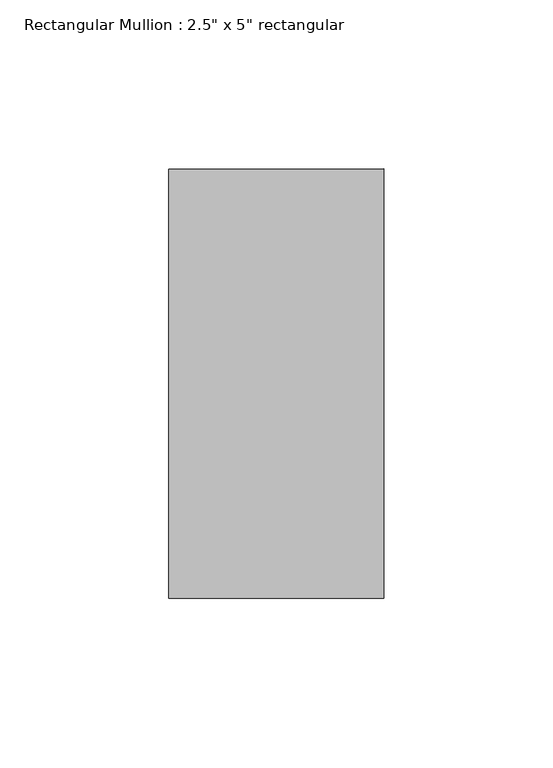
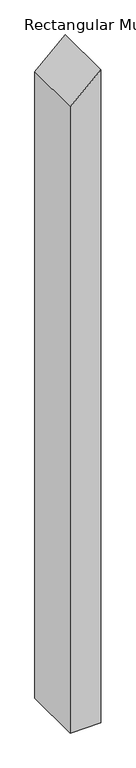
"""IFC4 building model written with IfcOpenShell, lengths in millimetres: member geometry."""

import ifcopenshell
import ifcopenshell.guid

model = None  # the IFC model being written
_history = None  # IfcOwnerHistory: only IFC2X3 demands one
_inside = {}  # id of a spatial element -> (the spatial element, [elements in it])
_under = {}  # id of a project, library or spatial element -> (it, [spatial elements below it])
_declared = {}  # id of a project -> (the project, [libraries it declares])
_typed = {}  # id of a type object -> (the type object, [elements of that type])
_made_of = {}  # id of a material, layer set ... -> (it, [elements and type objects made of it])


def new_model(schema):
    """Start an empty IFC model of exactly this schema.

    Asked for "IFC4X3", IfcOpenShell would pick the latest addendum, in which some entities
    have other attributes; the version numbers below select the first issue.
    IFC2X3 requires an IfcOwnerHistory on every rooted entity: one is made here for all.
    """
    global model, _history
    if schema == "IFC4X3":
        model = ifcopenshell.file(schema_version=(4, 3, 0, 0))
    else:
        model = ifcopenshell.file(schema=schema)
    _inside.clear()
    _under.clear()
    _declared.clear()
    _typed.clear()
    _made_of.clear()
    _history = None
    if model.schema == "IFC2X3":
        org = make("IfcOrganization", Name="unknown")
        user = make(
            "IfcPersonAndOrganization",
            ThePerson=make("IfcPerson", FamilyName="unknown"),
            TheOrganization=org,
        )
        app = make(
            "IfcApplication",
            ApplicationDeveloper=org,
            Version="unknown",
            ApplicationFullName="unknown",
            ApplicationIdentifier="unknown",
        )
        _history = make(
            "IfcOwnerHistory",
            OwningUser=user,
            OwningApplication=app,
            ChangeAction="ADDED",
            CreationDate=0,
        )
    return model


def make(cls, **values):
    """One entity of the class cls with the attributes given. An attribute that is None is left unset."""
    return model.create_entity(
        cls, **{name: value for name, value in values.items() if value is not None}
    )


def rooted(cls, **values):
    """An entity with a GlobalId (a new one), such as an element, a storey or a relation."""
    return make(cls, GlobalId=ifcopenshell.guid.new(), OwnerHistory=_history, **values)


def si_unit(unit_type, name, prefix=None):
    """IfcSIUnit, for example si_unit("LENGTHUNIT", "METRE", prefix="MILLI")."""
    return make("IfcSIUnit", UnitType=unit_type, Prefix=prefix, Name=name)


def assignment(units):
    """IfcUnitAssignment: the units of a project."""
    return None if units is None else make("IfcUnitAssignment", Units=units)


def point(xyz):
    """IfcCartesianPoint."""
    return None if xyz is None else make("IfcCartesianPoint", Coordinates=xyz)


def direction(xyz):
    """IfcDirection."""
    return None if xyz is None else make("IfcDirection", DirectionRatios=xyz)


def frame(location, z_axis=None, x_axis=None):
    """IfcAxis2Placement3D, a coordinate frame: its origin and axes. An axis left out is left unset."""
    return make(
        "IfcAxis2Placement3D",
        Location=point(location),
        Axis=direction(z_axis),
        RefDirection=direction(x_axis),
    )


def origin():
    """The frame at (0, 0, 0) with its axes left unset."""
    return frame((0.0, 0.0, 0.0))


def place(relative_to, where):
    """IfcLocalPlacement: puts the frame where relative to a parent placement (None: the world)."""
    return make(
        "IfcLocalPlacement", PlacementRelTo=relative_to, RelativePlacement=where
    )


def context(
    kind, dimensions, precision=None, world=None, true_north=None, identifier=None
):
    """IfcGeometricRepresentationContext, for example the 3D "Model" context."""
    return make(
        "IfcGeometricRepresentationContext",
        ContextIdentifier=identifier,
        ContextType=kind,
        CoordinateSpaceDimension=dimensions,
        Precision=precision,
        WorldCoordinateSystem=world,
        TrueNorth=true_north,
    )


def project(units=None, contexts=None):
    """IfcProject with its units and contexts."""
    return rooted(
        "IfcProject",
        Name="project",
        RepresentationContexts=contexts,
        UnitsInContext=assignment(units),
    )


def spatial(cls, under=None, at=None, **own):
    """A site, building, storey or space (cls), placed at a placement, below another one or the project."""
    s = rooted(cls, ObjectPlacement=at, **own)
    if under is not None:
        _under.setdefault(under.id(), (under, []))[1].append(s)
    return s


def polyline(points):
    """IfcPolyline through the points."""
    return make("IfcPolyline", Points=[point(p) for p in points])


def outline(outer, holes=None, kind="AREA"):
    """IfcArbitraryClosedProfileDef: a profile drawn as a closed curve; with holes, ...WithVoids."""
    if holes is None:
        return make("IfcArbitraryClosedProfileDef", ProfileType=kind, OuterCurve=outer)
    return make(
        "IfcArbitraryProfileDefWithVoids",
        ProfileType=kind,
        OuterCurve=outer,
        InnerCurves=holes,
    )


def extrude(swept, where, along, depth):
    """IfcExtrudedAreaSolid: the profile swept, set in the frame where, extruded along a direction by depth."""
    return make(
        "IfcExtrudedAreaSolid",
        SweptArea=swept,
        Position=where,
        ExtrudedDirection=direction(along),
        Depth=depth,
    )


def shape(context_of_items, identifier, shape_type, items):
    """IfcShapeRepresentation: the items that make up one representation, for example the "Body"."""
    return make(
        "IfcShapeRepresentation",
        ContextOfItems=context_of_items,
        RepresentationIdentifier=identifier,
        RepresentationType=shape_type,
        Items=items,
    )


def source(mapping_origin, context_of_items, identifier, shape_type, items):
    """IfcRepresentationMap: a shape defined once, which mapped items show again and again."""
    return make(
        "IfcRepresentationMap",
        MappingOrigin=mapping_origin,
        MappedRepresentation=shape(context_of_items, identifier, shape_type, items),
    )


def transform(
    local_origin,
    x_axis=None,
    y_axis=None,
    z_axis=None,
    scale=None,
    scale2=None,
    scale3=None,
    uniform=True,
):
    """IfcCartesianTransformationOperator3D, or its non-uniform kind. x_axis, y_axis, z_axis: its Axis1, 2, 3."""
    if uniform:
        return make(
            "IfcCartesianTransformationOperator3D",
            Axis1=direction(x_axis),
            Axis2=direction(y_axis),
            LocalOrigin=point(local_origin),
            Scale=scale,
            Axis3=direction(z_axis),
        )
    return make(
        "IfcCartesianTransformationOperator3DnonUniform",
        Axis1=direction(x_axis),
        Axis2=direction(y_axis),
        LocalOrigin=point(local_origin),
        Scale=scale,
        Axis3=direction(z_axis),
        Scale2=scale2,
        Scale3=scale3,
    )


def mapped(mapping_source, mapping_target):
    """IfcMappedItem: shows the shape of a source again, moved by a transform."""
    return make(
        "IfcMappedItem", MappingSource=mapping_source, MappingTarget=mapping_target
    )


def made_of(thing, what):
    """Note that an element or type object is made of a material, layer set ...; save() writes the relation."""
    if what is not None:
        _made_of.setdefault(what.id(), (what, []))[1].append(thing)
    return thing


def element(
    cls,
    number,
    at=None,
    inside=None,
    cuts=None,
    type_object=None,
    material=None,
    context=None,
    identifier="Body",
    shape_type=None,
    held_by="IfcProductDefinitionShape",
    body=None,
    shapes=None,
    **own,
):
    """One element of the class cls, such as IfcWall. Its Tag is "e" and its number.

    at: its placement. inside: the storey or other place that contains it. cuts: it is an
    opening in that element (IfcRelVoidsElement). A single representation is given by context,
    identifier, shape_type and body (its items); several are given by shapes. held_by: the class
    of the entity that holds the representations. save() writes the other relations.
    """
    e = rooted(cls, Tag="e%d" % number, ObjectPlacement=at, **own)
    if body is not None:
        shapes = [shape(context, identifier, shape_type, body)]
    if shapes is not None:
        e.Representation = make(held_by, Representations=shapes)
    if inside is not None:
        _inside.setdefault(inside.id(), (inside, []))[1].append(e)
    if cuts is not None:
        rooted(
            "IfcRelVoidsElement", RelatingBuildingElement=cuts, RelatedOpeningElement=e
        )
    if type_object is not None:
        _typed.setdefault(type_object.id(), (type_object, []))[1].append(e)
    return made_of(e, material)


def aggregate(whole, parts):
    """IfcRelAggregates: a whole, such as a stair, and the parts it consists of."""
    return rooted("IfcRelAggregates", RelatingObject=whole, RelatedObjects=parts)


def save(model, path):
    """Write the relations noted so far, then the file.

    IfcRelAggregates (storeys below a building ...), IfcRelContainedInSpatialStructure (elements
    in a storey), IfcRelDefinesByType, IfcRelAssociatesMaterial and IfcRelDeclares: one each for
    every whole, place, type object, material and project.
    """
    for whole, parts in _under.values():
        aggregate(whole, parts)
    for where, things in _inside.values():
        rooted(
            "IfcRelContainedInSpatialStructure",
            RelatedElements=things,
            RelatingStructure=where,
        )
    for kind, things in _typed.values():
        rooted("IfcRelDefinesByType", RelatedObjects=things, RelatingType=kind)
    for what, things in _made_of.values():
        rooted("IfcRelAssociatesMaterial", RelatedObjects=things, RelatingMaterial=what)
    for by, libraries in _declared.values():
        rooted("IfcRelDeclares", RelatingContext=by, RelatedDefinitions=libraries)
    model.write(path)


def member_98cb3e7e(model_context):
    return source(origin(), model_context, "Body", "SweptSolid", [
        extrude(outline(polyline([(0.0, 0.0), (-58.6806163, -63.5), (-1438.0679943, -63.5), (-1438.0679943, 0.0), (0.0, 0.0)])), frame((0.0, -63.5, 0.0), z_axis=(0.0, 1.0, 0.0), x_axis=(0.0, 0.0, 1.0)), (0.0, 0.0, 1.0), 127.0),
    ])


if __name__ == "__main__":
    model = new_model("IFC4")
    model_context = context("Model", 3, world=origin())
    ifc_project = project(units=[si_unit("LENGTHUNIT", "METRE", prefix="MILLI")], contexts=[model_context])
    site = spatial("IfcSite", under=ifc_project)
    building = spatial("IfcBuilding", under=site)
    placement = place(None, origin())
    member_shape = member_98cb3e7e(model_context)
    element("IfcMember", 1, ObjectType="Rectangular Mullion : 2.5\" x 5\" rectangular", at=placement, inside=building, context=model_context, shape_type="MappedRepresentation", body=[
        mapped(member_shape, transform((0.0, 0.0, 0.0), x_axis=(1.0, 0.0, 0.0), y_axis=(0.0, 1.0, 0.0), z_axis=(0.0, 0.0, 1.0))),
    ])
    save(model, "model.ifc")
